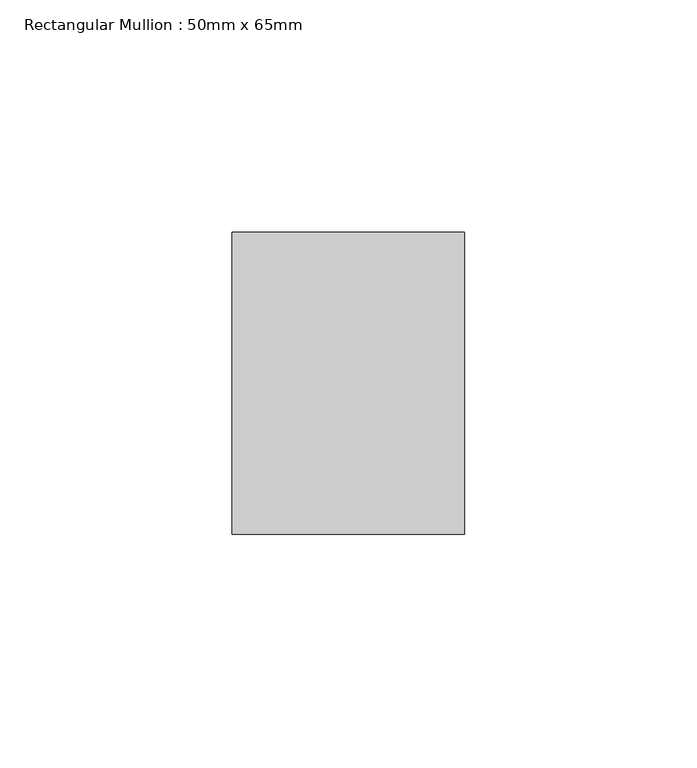
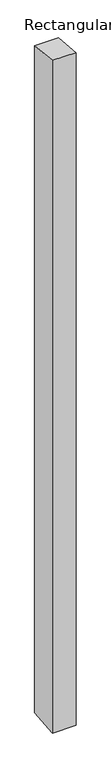
"""IFC4 building model written with IfcOpenShell, lengths in millimetres: member geometry, Rectangular Mullion : 50mm x 65mm."""

from ifc_helpers import new_model, si_unit, origin, place, context, project, spatial, faceted_brep, source, transform, mapped, element, save


def rectangular_mullion_50mm_x_65mm_eb97c453(model_context):
    return source(origin(), model_context, "Body", "Brep", [
        faceted_brep([(-25.0, 32.5, -3.3716778), (25.0, 32.5, -3.3716837), (25.0, 32.5, -1496.8525576), (-25.0, 32.5, -1496.8525631), (-25.0, -32.5, 3.3716837), (-25.0, -32.5, -1503.1464334), (25.0, -32.5, 3.3716778), (25.0, -32.5, -1503.1464279)], [[[0, 1, 2, 3]], [[4, 0, 3, 5]], [[6, 4, 5, 7]], [[1, 6, 7, 2]], [[1, 0, 4, 6]], [[2, 7, 5, 3]]]),
    ])


if __name__ == "__main__":
    model = new_model("IFC4")
    model_context = context("Model", 3, world=origin())
    ifc_project = project(units=[si_unit("LENGTHUNIT", "METRE", prefix="MILLI")], contexts=[model_context])
    site = spatial("IfcSite", under=ifc_project)
    building = spatial("IfcBuilding", under=site)
    placement = place(None, origin())
    rectangular_mullion_50mm_x_65mm_shape = rectangular_mullion_50mm_x_65mm_eb97c453(model_context)
    element("IfcMember", 1, ObjectType="Rectangular Mullion : 50mm x 65mm", at=placement, inside=building, context=model_context, shape_type="MappedRepresentation", body=[
        mapped(rectangular_mullion_50mm_x_65mm_shape, transform((0.0, 0.0, 0.0), x_axis=(1.0, 0.0, 0.0), y_axis=(0.0, 1.0, 0.0), z_axis=(0.0, 0.0, 1.0))),
    ])
    save(model, "model.ifc")
